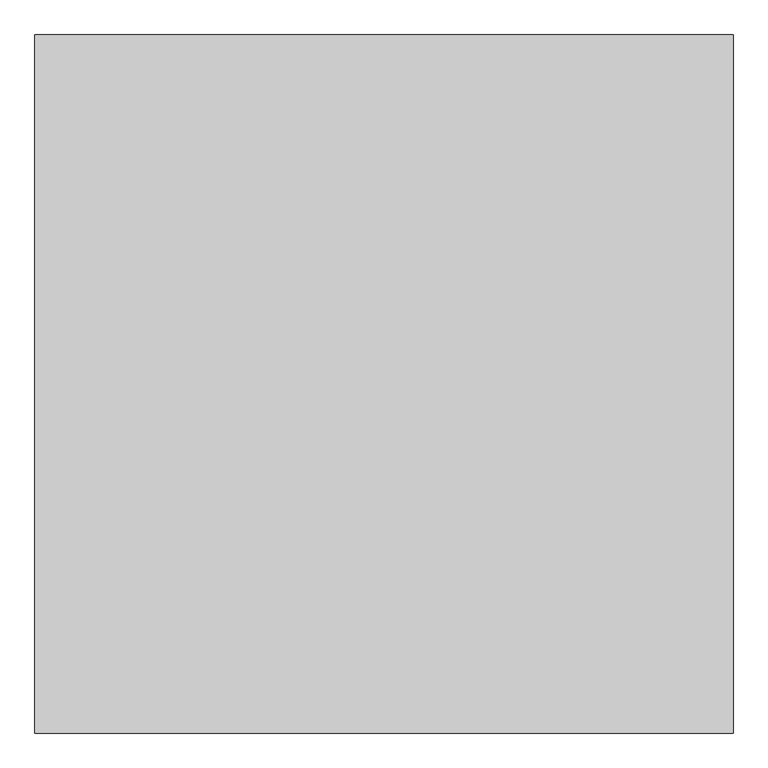
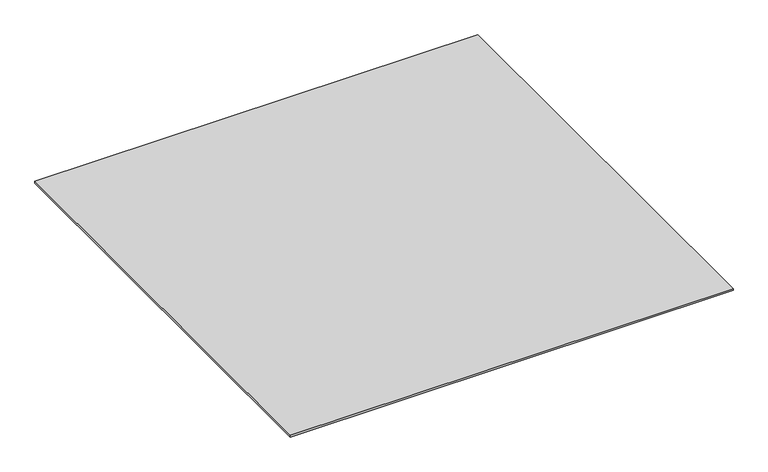
"""IFC4 building model written with IfcOpenShell, lengths in millimetres: proxy geometry."""

from ifc_helpers import new_model, si_unit, origin, origin_with_axes, place, context, project, spatial, polyline, outline, extrude, source, transform, mapped, element, save


def generic_models_e03211d8(model_context):
    return source(origin(), model_context, "Body", "SweptSolid", [
        extrude(outline(polyline([(-16196.9237868, -39487.355679), (-16196.9237868, -40487.355679), (-17196.9237868, -40487.355679), (-17196.9237868, -39487.355679), (-16196.9237868, -39487.355679)])), origin_with_axes(), (0.0, 0.0, 1.0), 4.0),
    ])


if __name__ == "__main__":
    model = new_model("IFC4")
    model_context = context("Model", 3, world=origin())
    ifc_project = project(units=[si_unit("LENGTHUNIT", "METRE", prefix="MILLI")], contexts=[model_context])
    site = spatial("IfcSite", under=ifc_project)
    building = spatial("IfcBuilding", under=site)
    placement = place(None, origin())
    generic_models_shape = generic_models_e03211d8(model_context)
    element("IfcBuildingElementProxy", 1, Name="Generic Models", at=placement, inside=building, context=model_context, shape_type="MappedRepresentation", body=[
        mapped(generic_models_shape, transform((0.0, 0.0, 0.0), x_axis=(1.0, 0.0, 0.0), y_axis=(0.0, 1.0, 0.0), z_axis=(0.0, 0.0, 1.0))),
    ])
    save(model, "model.ifc")
